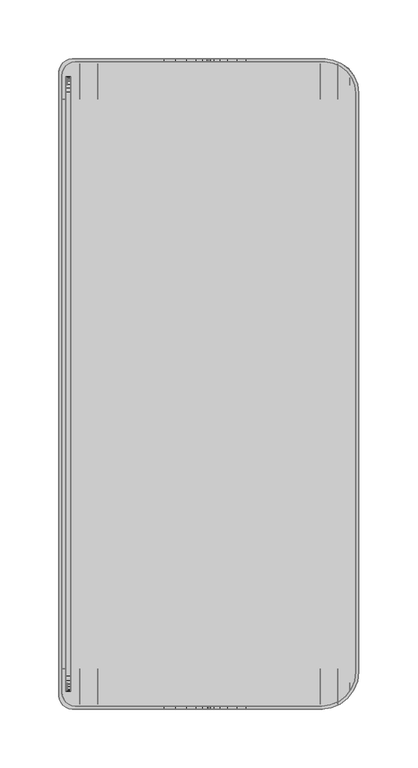
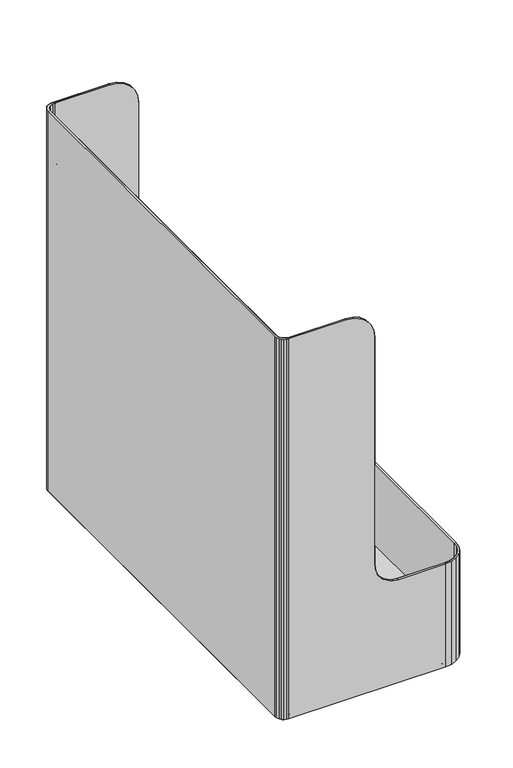
"""IFC4 building model written with IfcOpenShell, lengths in millimetres: furniture geometry."""

from ifc_helpers import new_model, si_unit, origin, place, context, project, spatial, triangles, source, transform, mapped, element, save


def furniture_f0d8c7fc(model_context):
    return source(origin(), model_context, "Body", "Tessellation", [
        triangles([(-123.3908514, 544.1187861, 35.3060004), (-124.5479392, 541.325352, 35.3060004), (-121.5501934, 546.5175859, 35.3060004), (-124.9426008, 538.3276062, 35.3060004), (-113.3602045, 549.9100024, 35.3060004), (-116.3579412, 549.5153317, 35.3060004), (-119.1514026, 548.3582439, 35.3060004), (-124.9426008, 14.1223938, 35.3060004), (124.9426008, 31.7499879, 35.3060004), (124.9426008, 523.2400097, 35.3060004), (-124.5479392, 11.124648, 35.3060004), (-123.3908514, 8.3312139, 35.3060004), (-119.1514026, 4.0917561, 35.3060004), (-121.5501934, 5.9324141, 35.3060004), (-116.3579412, 2.9346683, 35.3060004), (-113.3602045, 2.5399976, 35.3060004), (95.7326104, 2.5399976, 35.3060004), (98.272608, 549.9100024, 35.3060004), (105.1753117, 549.001228, 35.3060004), (124.0338444, 530.1427134, 35.3060004), (117.1311408, 542.0985243, 35.3060004), (111.6076044, 546.336892, 35.3060004), (121.3694904, 536.5749879, 35.3060004), (103.2927049, 3.535322, 35.3060004), (110.3376056, 6.4533852, 35.3060004), (116.3871818, 11.0953983, 35.3060004), (121.029195, 17.1449927, 35.3060004), (123.9472945, 24.1899116, 35.3060004)], [[1, 2, 3], [2, 4, 3], [4, 5, 6], [4, 6, 7], [4, 7, 3], [4, 8, 9], [4, 9, 10], [8, 11, 12], [8, 12, 13], [13, 12, 14], [13, 15, 8], [15, 16, 8], [8, 16, 17], [8, 17, 9], [18, 5, 10], [5, 4, 10], [19, 18, 20], [18, 10, 20], [21, 22, 20], [22, 19, 20], [20, 23, 21], [24, 25, 17], [25, 26, 17], [27, 28, 17], [28, 9, 17], [27, 17, 26]], closed=False),
        triangles([(-113.3602045, 549.9100024, 32.7660005), (-113.3602045, 549.9100024, 4.8259999), (98.272608, 549.9100024, 4.8259999), (98.272608, 549.9100024, 32.7660005), (124.0338444, 530.1427134, 32.7660005), (124.0338444, 530.1427134, 4.8259999), (124.9426008, 523.2400097, 4.8259999), (124.9426008, 523.2400097, 32.7660005), (121.3694904, 536.5749879, 32.7660005), (121.3694904, 536.5749879, 4.8259999), (117.1311408, 542.0985243, 32.7660005), (117.1311408, 542.0985243, 4.8259999), (111.6076044, 546.336892, 32.7660005), (111.6076044, 546.336892, 4.8259999), (105.1753117, 549.001228, 32.7660005), (105.1753117, 549.001228, 4.8259999), (124.9426008, 31.7499879, 4.8259999), (124.9426008, 31.7499879, 32.7660005), (103.2927049, 3.535322, 32.7660005), (103.2927049, 3.535322, 4.8259999), (95.7326104, 2.5399976, 4.8259999), (95.7326104, 2.5399976, 32.7660005), (110.3376056, 6.4533852, 32.7660005), (110.3376056, 6.4533852, 4.8259999), (116.3871818, 11.0953983, 32.7660005), (116.3871818, 11.0953983, 4.8259999), (121.029195, 17.1449927, 32.7660005), (121.029195, 17.1449927, 4.8259999), (123.9472945, 24.1899116, 32.7660005), (123.9472945, 24.1899116, 4.8259999), (-113.3602045, 2.5399976, 4.8259999), (-113.3602045, 2.5399976, 32.7660005), (-124.5479392, 11.124648, 32.7660005), (-124.5479392, 11.124648, 4.8259999), (-124.9426008, 14.1223938, 4.8259999), (-124.9426008, 14.1223938, 32.7660005), (-123.3908514, 8.3312139, 32.7660005), (-123.3908514, 8.3312139, 4.8259999), (-121.5501934, 5.9324141, 32.7660005), (-121.5501934, 5.9324141, 4.8259999), (-119.1514026, 4.0917561, 32.7660005), (-119.1514026, 4.0917561, 4.8259999), (-116.3579412, 2.9346683, 32.7660005), (-116.3579412, 2.9346683, 4.8259999), (-124.9426008, 538.3276062, 4.8259999), (-124.9426008, 538.3276062, 32.7660005), (-116.3579412, 549.5153317, 32.7660005), (-116.3579412, 549.5153317, 4.8259999), (-119.1514026, 548.3582439, 32.7660005), (-119.1514026, 548.3582439, 4.8259999), (-121.5501934, 546.5175859, 32.7660005), (-121.5501934, 546.5175859, 4.8259999), (-123.3908514, 544.1187861, 32.7660005), (-123.3908514, 544.1187861, 4.8259999), (-124.5479392, 541.325352, 32.7660005), (-124.5479392, 541.325352, 4.8259999), (-123.3908514, 8.3312139, 35.3060004), (-124.5479392, 11.124648, 35.3060004), (-124.5479392, 11.124648, 544.5759893), (-123.3908514, 8.3312139, 544.5759893), (-121.5501934, 5.9324141, 35.3060004), (-121.5501934, 5.9324141, 544.5759893), (-124.9426008, 14.1223938, 35.3060004), (-124.9426008, 14.1223938, 544.5759893), (-116.3579412, 2.9346683, 35.3060004), (-119.1514026, 4.0917561, 35.3060004), (-119.1514026, 4.0917561, 544.5759893), (-116.3579412, 2.9346683, 544.5759893), (-113.3602045, 2.5399976, 35.3060004), (-113.3602045, 2.5399976, 544.5759893), (-119.1514026, 548.3582439, 35.3060004), (-116.3579412, 549.5153317, 35.3060004), (-116.3579412, 549.5153317, 544.5759893), (-119.1514026, 548.3582439, 544.5759893), (-121.5501934, 546.5175859, 35.3060004), (-121.5501934, 546.5175859, 544.5759893), (-113.3602045, 549.9100024, 35.3060004), (-113.3602045, 549.9100024, 544.5759893), (-124.5479392, 541.325352, 35.3060004), (-123.3908514, 544.1187861, 35.3060004), (-123.3908514, 544.1187861, 544.5759893), (-124.5479392, 541.325352, 544.5759893), (-124.9426008, 538.3276062, 35.3060004), (-124.9426008, 538.3276062, 544.5759893), (-127.0879367, 8.5846504, 544.5759893), (-127.0879367, 8.5846504, 4.8259999), (-125.9308489, 5.7912163, 4.8259999), (-125.9308489, 5.7912163, 544.5759893), (-124.0901909, 3.3924165, 4.8259999), (-124.0901909, 3.3924165, 544.5759893), (-127.4825983, 11.5823962, 544.5759893), (-127.4825983, 11.5823962, 4.8259999), (-121.6914002, 1.5517585, 544.5759893), (-121.6914002, 1.5517585, 4.8259999), (-118.8979479, 0.3946707, 4.8259999), (-118.8979479, 0.3946707, 544.5759893), (-115.9002021, 0.0, 4.8259999), (-115.9002021, 0.0, 544.5759893), (-118.8979479, 552.0553293, 544.5759893), (-118.8979479, 552.0553293, 4.8259999), (-121.6914002, 550.8982415, 4.8259999), (-121.6914002, 550.8982415, 544.5759893), (-124.0901909, 549.0575835, 4.8259999), (-124.0901909, 549.0575835, 544.5759893), (-115.9002021, 552.45, 544.5759893), (-115.9002021, 552.45, 4.8259999), (-125.9308489, 546.6587837, 544.5759893), (-125.9308489, 546.6587837, 4.8259999), (-127.0879367, 543.8653496, 4.8259999), (-127.0879367, 543.8653496, 544.5759893), (-127.4825983, 540.8676038, 4.8259999), (-127.4825983, 540.8676038, 544.5759893), (117.1311408, 542.0985243, 35.3060004), (121.3694904, 536.5749879, 35.3060004), (121.3694904, 536.5749879, 150.8760015), (117.1311408, 542.0985243, 150.8760015), (124.9426008, 523.2400097, 150.8760015), (124.0338444, 530.1427134, 150.8760015), (124.0338444, 530.1427134, 35.3060004), (124.9426008, 523.2400097, 35.3060004), (105.1753117, 549.001228, 35.3060004), (111.6076044, 546.336892, 35.3060004), (111.6076044, 546.336892, 150.8760015), (105.1753117, 549.001228, 150.8760015), (98.272608, 549.9100024, 35.3060004), (98.272608, 549.9100024, 150.8760015), (110.3376056, 6.4533852, 35.3060004), (103.2927049, 3.535322, 35.3060004), (103.2927049, 3.535322, 150.8760015), (110.3376056, 6.4533852, 150.8760015), (116.3871818, 11.0953983, 35.3060004), (116.3871818, 11.0953983, 150.8760015), (95.7326104, 2.5399976, 35.3060004), (95.7326104, 2.5399976, 150.8760015), (123.9472945, 24.1899116, 35.3060004), (121.029195, 17.1449927, 35.3060004), (121.029195, 17.1449927, 150.8760015), (123.9472945, 24.1899116, 150.8760015), (124.9426008, 31.7499879, 35.3060004), (124.9426008, 31.7499879, 150.8760015), (126.4872921, 530.8001224, 150.8760015), (126.4872921, 530.8001224, 4.8259999), (123.5692107, 537.8450048, 4.8259999), (123.5692107, 537.8450048, 150.8760015), (118.9271976, 543.8945992, 4.8259999), (118.9271976, 543.8945992, 150.8760015), (127.4825983, 523.2400097, 150.8760015), (127.4825983, 523.2400097, 4.8259999), (112.8776032, 548.5366124, 150.8760015), (112.8776032, 548.5366124, 4.8259999), (105.8327025, 551.4546756, 4.8259999), (105.8327025, 551.4546756, 150.8760015), (98.272608, 552.45, 4.8259999), (98.272608, 552.45, 150.8760015), (103.9501139, 1.081838, 150.8760015), (103.9501139, 1.081838, 4.8259999), (111.6076044, 4.2537011, 4.8259999), (111.6076044, 4.2537011, 150.8760015), (118.1832386, 9.2993597, 4.8259999), (118.1832386, 9.2993597, 150.8760015), (95.7326104, 0.0, 150.8760015), (95.7326104, 0.0, 4.8259999), (123.2289154, 15.8750121, 150.8760015), (123.2289154, 15.8750121, 4.8259999), (126.4007421, 23.5325026, 4.8259999), (126.4007421, 23.5325026, 150.8760015), (127.4825983, 31.7499879, 4.8259999), (127.4825983, 31.7499879, 150.8760015), (-1.7e-06, 552.45, 506.4759893), (-1.7e-06, 549.9100024, 506.4759893), (-1.7e-06, 549.9100024, 182.6260075), (-1.7e-06, 552.45, 182.6260075), (-1.7e-06, 2.5399976, 506.4759893), (-1.7e-06, 0.0, 506.4759893), (-1.7e-06, 0.0, 182.6260075), (-1.7e-06, 2.5399976, 182.6260075), (-28.2389944, 549.9100024, 543.2777764), (-19.0500023, 549.9100024, 539.4715771), (-19.0500023, 552.45, 539.4715771), (-28.2389944, 552.45, 543.2777764), (-38.1, 549.9100024, 544.5759893), (-38.1, 552.45, 544.5759893), (-11.159231, 552.45, 533.4167504), (-11.159231, 549.9100024, 533.4167504), (-1.2982237, 549.9100024, 516.3370153), (-1.2982237, 552.45, 516.3370153), (-5.1044321, 549.9100024, 525.5259893), (-5.1044321, 552.45, 525.5259893), (-28.2389944, 2.5399976, 543.2777764), (-28.2389944, 0.0, 543.2777764), (-19.0500023, 0.0, 539.4715771), (-19.0500023, 2.5399976, 539.4715771), (-38.1, 2.5399976, 544.5759893), (-38.1, 0.0, 544.5759893), (-11.159231, 0.0, 533.4167504), (-11.159231, 2.5399976, 533.4167504), (-5.1044321, 2.5399976, 525.5259893), (-5.1044321, 0.0, 525.5259893), (-1.2982237, 0.0, 516.3370153), (-1.2982237, 2.5399976, 516.3370153), (31.7499947, 2.5399976, 150.8760015), (31.7499947, 0.0, 150.8760015), (31.7499947, 552.45, 150.8760015), (31.7499947, 549.9100024, 150.8760015), (1.0818545, 552.45, 174.408504), (1.0818545, 549.9100024, 174.408504), (4.2536903, 552.45, 166.7509954), (4.2536903, 549.9100024, 166.7509954), (9.299358, 549.9100024, 160.1753612), (9.299358, 552.45, 160.1753612), (23.5324912, 552.45, 151.9578577), (15.8750019, 552.45, 155.1296844), (23.5324912, 549.9100024, 151.9578577), (15.8750019, 549.9100024, 155.1296844), (1.0818545, 0.0, 174.408504), (1.0818545, 2.5399976, 174.408504), (4.2536903, 0.0, 166.7509954), (4.2536903, 2.5399976, 166.7509954), (9.299358, 0.0, 160.1753612), (9.299358, 2.5399976, 160.1753612), (23.5324912, 0.0, 151.9578577), (23.5324912, 2.5399976, 151.9578577), (15.8750019, 2.5399976, 155.1296844), (15.8750019, 0.0, 155.1296844), (-121.4118933, 34.2899855, 457.5990309), (-121.4118933, 518.1600145, 457.5990309), (-121.4118933, 518.1600145, 465.6689961), (-121.4118933, 34.2899855, 465.6689961), (-124.9426008, 34.2899855, 457.5990309), (-124.9426008, 518.1600145, 457.5990309), (-124.9426008, 34.2899855, 465.6689961), (-124.9426008, 518.1600145, 465.6689961), (-121.4118933, 524.5099903, 449.3259893), (-121.4118933, 527.796999, 449.7587391), (-117.3649928, 527.796999, 449.7587391), (-117.3649928, 524.5099903, 449.3259893), (-121.4118933, 530.8600024, 451.0274843), (-117.3649928, 530.8600024, 451.0274843), (-121.4118933, 533.4902561, 453.0457478), (-121.4118933, 535.5085196, 455.6760015), (-117.3649928, 535.5085196, 455.6760015), (-117.3649928, 533.4902561, 453.0457478), (-121.4118933, 536.7772648, 458.7390049), (-117.3649928, 536.7772648, 458.7390049), (-117.3649928, 537.2100145, 462.0260136), (-121.4118933, 537.2100145, 462.0260136), (-121.4118933, 536.7772648, 465.3129859), (-117.3649928, 536.7772648, 465.3129859), (-121.4118933, 535.5085196, 468.3759893), (-117.3649928, 535.5085196, 468.3759893), (-121.4118933, 533.4902561, 471.006243), (-121.4118933, 530.8600024, 473.0245065), (-117.3649928, 530.8600024, 473.0245065), (-117.3649928, 533.4902561, 471.006243), (-121.4118933, 527.796999, 474.2932517), (-117.3649928, 527.796999, 474.2932517), (-117.3649928, 524.5099903, 474.7260015), (-121.4118933, 524.5099903, 474.7260015), (-117.3649928, 27.9400097, 449.3259893), (-121.4118933, 27.9400097, 449.3259893), (-121.4118933, 27.9400097, 474.7260015), (-121.4118933, 24.653001, 474.2932517), (-117.3649928, 24.653001, 474.2932517), (-117.3649928, 27.9400097, 474.7260015), (-121.4118933, 21.5899976, 473.0245065), (-117.3649928, 21.5899976, 473.0245065), (-121.4118933, 18.9597439, 471.006243), (-121.4118933, 16.9414804, 468.3759893), (-117.3649928, 16.9414804, 468.3759893), (-117.3649928, 18.9597439, 471.006243), (-121.4118933, 15.2399855, 462.0260136), (-121.4118933, 15.6727352, 458.7390049), (-117.3649928, 15.6727352, 458.7390049), (-117.3649928, 15.2399855, 462.0260136), (-121.4118933, 16.9414804, 455.6760015), (-117.3649928, 16.9414804, 455.6760015), (-121.4118933, 18.9597439, 453.0457478), (-121.4118933, 21.5899976, 451.0274843), (-117.3649928, 21.5899976, 451.0274843), (-117.3649928, 18.9597439, 453.0457478), (-121.4118933, 24.653001, 449.7587391), (-117.3649928, 24.653001, 449.7587391), (-121.4118933, 15.6727352, 465.3129859), (119.7445169, 19.9888598, 18.0528145), (119.7445169, 20.7546198, 17.7356305), (-120.5320051, 20.7546198, 17.7356305), (-120.5320051, 19.9888598, 18.0528145), (119.7445169, 19.1671077, 18.1609997), (-120.5320051, 19.1671077, 18.1609997), (119.7445169, 21.9167582, 16.5735001), (119.7445169, 22.2339263, 15.8077504), (-120.5320051, 22.2339263, 15.8077504), (-120.5320051, 21.9167582, 16.5735001), (-120.5320051, 21.4121741, 17.2310635), (119.7445169, 21.4121741, 17.2310635), (-120.5320051, 22.3421319, 14.9860005), (119.7445169, 22.3421319, 14.9860005), (119.7445169, 21.9167582, 13.3984997), (119.7445169, 21.4121741, 12.7409363), (-120.5320051, 21.4121741, 12.7409363), (-120.5320051, 21.9167582, 13.3984997), (119.7445169, 22.2339263, 14.1642494), (-120.5320051, 22.2339263, 14.1642494), (119.7445169, 20.7546198, 12.2363693), (119.7445169, 19.9888598, 11.9191853), (-120.5320051, 19.9888598, 11.9191853), (-120.5320051, 20.7546198, 12.2363693), (119.7445169, 19.1671077, 11.8110001), (-120.5320051, 19.1671077, 11.8110001), (119.7445169, 18.3453555, 11.9191853), (119.7445169, 17.5796319, 12.2363693), (-120.5320051, 17.5796319, 12.2363693), (-120.5320051, 18.3453555, 11.9191853), (119.7445169, 16.9220412, 12.7409363), (119.7445169, 16.4174935, 13.3984997), (-120.5320051, 16.4174935, 13.3984997), (-120.5320051, 16.9220412, 12.7409363), (119.7445169, 16.1002891, 14.1642494), (-120.5320051, 16.1002891, 14.1642494), (-120.5320051, 15.9921198, 14.9860005), (119.7445169, 15.9921198, 14.9860005), (119.7445169, 16.1002891, 15.8077504), (119.7445169, 16.4174935, 16.5735001), (-120.5320051, 16.4174935, 16.5735001), (-120.5320051, 16.1002891, 15.8077504), (119.7445169, 16.9220412, 17.2310635), (-120.5320051, 16.9220412, 17.2310635), (119.7445169, 17.5796319, 17.7356305), (119.7445169, 18.3453555, 18.0528145), (-120.5320051, 18.3453555, 18.0528145), (-120.5320051, 17.5796319, 17.7356305), (119.7445169, 534.1046445, 18.0528145), (119.7445169, 534.8703681, 17.7356305), (-120.5320051, 534.8703681, 17.7356305), (-120.5320051, 534.1046445, 18.0528145), (119.7445169, 533.2828923, 18.1609997), (-120.5320051, 533.2828923, 18.1609997), (119.7445169, 536.0325065, 16.5735001), (119.7445169, 536.3497109, 15.8077504), (-120.5320051, 536.3497109, 15.8077504), (-120.5320051, 536.0325065, 16.5735001), (-120.5320051, 535.5279588, 17.2310635), (119.7445169, 535.5279588, 17.2310635), (-120.5320051, 536.4578802, 14.9860005), (119.7445169, 536.4578802, 14.9860005), (119.7445169, 536.0325065, 13.3984997), (119.7445169, 535.5279588, 12.7409363), (-120.5320051, 535.5279588, 12.7409363), (-120.5320051, 536.0325065, 13.3984997), (119.7445169, 536.3497109, 14.1642494), (-120.5320051, 536.3497109, 14.1642494), (119.7445169, 534.8703681, 12.2363693), (119.7445169, 534.1046445, 11.9191853), (-120.5320051, 534.1046445, 11.9191853), (-120.5320051, 534.8703681, 12.2363693), (119.7445169, 533.2828923, 11.8110001), (-120.5320051, 533.2828923, 11.8110001), (119.7445169, 532.4611402, 11.9191853), (119.7445169, 531.6953802, 12.2363693), (-120.5320051, 531.6953802, 12.2363693), (-120.5320051, 532.4611402, 11.9191853), (119.7445169, 531.0378259, 12.7409363), (119.7445169, 530.5332418, 13.3984997), (-120.5320051, 530.5332418, 13.3984997), (-120.5320051, 531.0378259, 12.7409363), (119.7445169, 530.2160737, 14.1642494), (-120.5320051, 530.2160737, 14.1642494), (-120.5320051, 530.1078681, 14.9860005), (119.7445169, 530.1078681, 14.9860005), (119.7445169, 530.2160737, 15.8077504), (119.7445169, 530.5332418, 16.5735001), (-120.5320051, 530.5332418, 16.5735001), (-120.5320051, 530.2160737, 15.8077504), (119.7445169, 531.0378259, 17.2310635), (-120.5320051, 531.0378259, 17.2310635), (119.7445169, 531.6953802, 17.7356305), (119.7445169, 532.4611402, 18.0528145), (-120.5320051, 532.4611402, 18.0528145), (-120.5320051, 531.6953802, 17.7356305), (94.4625935, 548.2688962, 14.9860005), (94.4625935, 547.7582442, 18.864662), (109.7025971, 548.2688962, 14.9860005), (109.7025971, 547.7582442, 18.864662), (94.4625935, 546.2611336, 22.478999), (109.7025971, 546.2611336, 22.478999), (94.4625935, 543.8795929, 25.5827022), (94.4625935, 540.7758943, 27.9642565), (109.7025971, 543.8795929, 25.5827022), (109.7025971, 540.7758943, 27.9642565), (94.4625935, 537.1615437, 29.4613649), (109.7025971, 537.1615437, 29.4613649), (109.7025971, 533.2828923, 29.9720009), (94.4625935, 533.2828923, 29.9720009), (94.4625935, 529.4042047, 29.4613649), (94.4625935, 525.7898904, 27.9642565), (109.7025971, 529.4042047, 29.4613649), (109.7025971, 525.7898904, 27.9642565), (94.4625935, 522.6861917, 25.5827022), (109.7025971, 522.6861917, 25.5827022), (109.7025971, 520.3046147, 22.478999), (94.4625935, 520.3046147, 22.478999), (94.4625935, 518.8075041, 18.864662), (109.7025971, 518.8075041, 18.864662), (94.4625935, 518.2968884, 14.9860005), (109.7025971, 518.2968884, 14.9860005), (94.4625935, 518.8075041, 11.1073378), (94.4625935, 520.3046147, 7.4930002), (109.7025971, 520.3046147, 7.4930002), (109.7025971, 518.8075041, 11.1073378), (94.4625935, 525.7898904, 2.0077433), (94.4625935, 529.4042047, 0.5106356), (109.7025971, 529.4042047, 0.5106356), (109.7025971, 525.7898904, 2.0077433), (94.4625935, 522.6861917, 4.3892979), (109.7025971, 522.6861917, 4.3892979), (109.7025971, 533.2828923, 0.0), (94.4625935, 533.2828923, 0.0), (94.4625935, 537.1615437, 0.5106356), (94.4625935, 540.7758943, 2.0077433), (109.7025971, 540.7758943, 2.0077433), (109.7025971, 537.1615437, 0.5106356), (94.4625935, 543.8795929, 4.3892979), (109.7025971, 543.8795929, 4.3892979), (94.4625935, 546.2611336, 7.4930002), (94.4625935, 547.7582442, 11.1073378), (109.7025971, 547.7582442, 11.1073378), (109.7025971, 546.2611336, 7.4930002), (94.4625935, 34.1531116, 14.9860005), (94.4625935, 33.6424959, 18.864662), (109.7025971, 33.6424959, 18.864662), (109.7025971, 34.1531116, 14.9860005), (94.4625935, 32.1453853, 22.478999), (109.7025971, 32.1453853, 22.478999), (94.4625935, 29.7638083, 25.5827022), (94.4625935, 26.6601096, 27.9642565), (109.7025971, 26.6601096, 27.9642565), (109.7025971, 29.7638083, 25.5827022), (94.4625935, 23.0457953, 29.4613649), (109.7025971, 23.0457953, 29.4613649), (109.7025971, 19.1671077, 29.9720009), (94.4625935, 19.1671077, 29.9720009), (94.4625935, 15.2884563, 29.4613649), (109.7025971, 15.2884563, 29.4613649), (94.4625935, 11.6741057, 27.9642565), (109.7025971, 11.6741057, 27.9642565), (109.7025971, 6.1888664, 22.478999), (94.4625935, 6.1888664, 22.478999), (94.4625935, 4.6917558, 18.864662), (109.7025971, 4.6917558, 18.864662), (94.4625935, 4.1811038, 14.9860005), (109.7025971, 4.1811038, 14.9860005), (109.7025971, 8.5704071, 25.5827022), (94.4625935, 8.5704071, 25.5827022), (94.4625935, 4.6917558, 11.1073378), (109.7025971, 4.6917558, 11.1073378), (94.4625935, 6.1888664, 7.4930002), (109.7025971, 6.1888664, 7.4930002), (94.4625935, 8.5704071, 4.3892979), (94.4625935, 11.6741057, 2.0077433), (109.7025971, 11.6741057, 2.0077433), (109.7025971, 8.5704071, 4.3892979), (94.4625935, 15.2884563, 0.5106356), (109.7025971, 15.2884563, 0.5106356), (109.7025971, 19.1671077, 0.0), (94.4625935, 19.1671077, 0.0), (94.4625935, 23.0457953, 0.5106356), (109.7025971, 23.0457953, 0.5106356), (94.4625935, 26.6601096, 2.0077433), (109.7025971, 26.6601096, 2.0077433), (94.4625935, 29.7638083, 4.3892979), (94.4625935, 32.1453853, 7.4930002), (109.7025971, 32.1453853, 7.4930002), (109.7025971, 29.7638083, 4.3892979), (94.4625935, 33.6424959, 11.1073378), (109.7025971, 33.6424959, 11.1073378), (-94.4626026, 518.8075041, 18.864662), (-94.4626026, 520.3046147, 22.478999), (-109.7025971, 520.3046147, 22.478999), (-109.7025971, 518.8075041, 18.864662), (-94.4626026, 518.2968884, 14.9860005), (-109.7025971, 518.2968884, 14.9860005), (-94.4626026, 525.7898904, 27.9642565), (-94.4626026, 529.4042047, 29.4613649), (-109.7025971, 529.4042047, 29.4613649), (-109.7025971, 525.7898904, 27.9642565), (-94.4626026, 522.6861917, 25.5827022), (-109.7025971, 522.6861917, 25.5827022), (-109.7025971, 533.2828923, 29.9720009), (-94.4626026, 533.2828923, 29.9720009), (-94.4626026, 537.1615437, 29.4613649), (-94.4626026, 540.7758943, 27.9642565), (-109.7025971, 540.7758943, 27.9642565), (-109.7025971, 537.1615437, 29.4613649), (-94.4626026, 543.8795929, 25.5827022), (-109.7025971, 543.8795929, 25.5827022), (-94.4626026, 546.2611336, 22.478999), (-94.4626026, 547.7582442, 18.864662), (-109.7025971, 547.7582442, 18.864662), (-109.7025971, 546.2611336, 22.478999), (-94.4626026, 548.2688962, 14.9860005), (-109.7025971, 548.2688962, 14.9860005), (-94.4626026, 547.7582442, 11.1073378), (-109.7025971, 547.7582442, 11.1073378), (-94.4626026, 546.2611336, 7.4930002), (-109.7025971, 546.2611336, 7.4930002), (-94.4626026, 543.8795929, 4.3892979), (-94.4626026, 540.7758943, 2.0077433), (-109.7025971, 543.8795929, 4.3892979), (-109.7025971, 540.7758943, 2.0077433), (-94.4626026, 537.1615437, 0.5106356), (-109.7025971, 537.1615437, 0.5106356), (-109.7025971, 533.2828923, 0.0), (-94.4626026, 533.2828923, 0.0), (-94.4626026, 529.4042047, 0.5106356), (-94.4626026, 525.7898904, 2.0077433), (-109.7025971, 529.4042047, 0.5106356), (-109.7025971, 525.7898904, 2.0077433), (-94.4626026, 522.6861917, 4.3892979), (-109.7025971, 522.6861917, 4.3892979), (-109.7025971, 520.3046147, 7.4930002), (-94.4626026, 520.3046147, 7.4930002), (-94.4626026, 518.8075041, 11.1073378), (-109.7025971, 518.8075041, 11.1073378), (-94.4626026, 4.1811038, 14.9860005), (-94.4626026, 4.6917558, 18.864662), (-109.7025971, 4.6917558, 18.864662), (-109.7025971, 4.1811038, 14.9860005), (-94.4626026, 6.1888664, 22.478999), (-109.7025971, 6.1888664, 22.478999), (-94.4626026, 8.5704071, 25.5827022), (-94.4626026, 11.6741057, 27.9642565), (-109.7025971, 11.6741057, 27.9642565), (-109.7025971, 8.5704071, 25.5827022), (-94.4626026, 15.2884563, 29.4613649), (-109.7025971, 15.2884563, 29.4613649), (-109.7025971, 19.1671077, 29.9720009), (-94.4626026, 19.1671077, 29.9720009), (-94.4626026, 23.0457953, 29.4613649), (-109.7025971, 23.0457953, 29.4613649), (-94.4626026, 26.6601096, 27.9642565), (-109.7025971, 26.6601096, 27.9642565), (-94.4626026, 29.7638083, 25.5827022), (-94.4626026, 32.1453853, 22.478999), (-109.7025971, 32.1453853, 22.478999), (-109.7025971, 29.7638083, 25.5827022), (-94.4626026, 33.6424959, 18.864662), (-109.7025971, 33.6424959, 18.864662), (-109.7025971, 34.1531116, 14.9860005), (-94.4626026, 34.1531116, 14.9860005), (-94.4626026, 33.6424959, 11.1073378), (-109.7025971, 33.6424959, 11.1073378), (-94.4626026, 32.1453853, 7.4930002), (-109.7025971, 32.1453853, 7.4930002), (-94.4626026, 29.7638083, 4.3892979), (-94.4626026, 26.6601096, 2.0077433), (-109.7025971, 29.7638083, 4.3892979), (-109.7025971, 26.6601096, 2.0077433), (-94.4626026, 23.0457953, 0.5106356), (-109.7025971, 23.0457953, 0.5106356), (-109.7025971, 19.1671077, 0.0), (-94.4626026, 19.1671077, 0.0), (-94.4626026, 15.2884563, 0.5106356), (-109.7025971, 15.2884563, 0.5106356), (-94.4626026, 11.6741057, 2.0077433), (-109.7025971, 11.6741057, 2.0077433), (-109.7025971, 6.1888664, 7.4930002), (-94.4626026, 6.1888664, 7.4930002), (-109.7025971, 4.6917558, 11.1073378), (-94.4626026, 4.6917558, 11.1073378), (-109.7025971, 8.5704071, 4.3892979), (-94.4626026, 8.5704071, 4.3892979)], [[1, 2, 3], [1, 3, 4], [5, 6, 7], [5, 7, 8], [9, 10, 6], [9, 6, 5], [10, 9, 11], [10, 11, 12], [13, 14, 12], [13, 12, 11], [15, 16, 14], [15, 14, 13], [16, 15, 4], [16, 4, 3], [17, 18, 8], [17, 8, 7], [19, 20, 21], [19, 21, 22], [23, 24, 20], [23, 20, 19], [24, 23, 25], [24, 25, 26], [27, 28, 26], [27, 26, 25], [29, 30, 28], [29, 28, 27], [30, 29, 18], [30, 18, 17], [31, 32, 22], [31, 22, 21], [33, 34, 35], [33, 35, 36], [37, 38, 34], [37, 34, 33], [38, 37, 39], [38, 39, 40], [41, 42, 40], [41, 40, 39], [43, 44, 42], [43, 42, 41], [44, 43, 32], [44, 32, 31], [36, 35, 45], [36, 45, 46], [47, 48, 2], [47, 2, 1], [49, 50, 48], [49, 48, 47], [50, 49, 51], [50, 51, 52], [53, 54, 52], [53, 52, 51], [55, 56, 54], [55, 54, 53], [56, 55, 46], [56, 46, 45], [18, 19, 22], [18, 22, 36], [25, 23, 18], [23, 19, 18], [18, 29, 27], [18, 27, 25], [32, 43, 41], [32, 41, 36], [37, 41, 39], [37, 33, 41], [33, 36, 41], [36, 22, 32], [18, 36, 46], [18, 46, 8], [9, 5, 4], [5, 8, 4], [15, 13, 11], [15, 11, 9], [15, 9, 4], [4, 8, 1], [8, 46, 1], [46, 55, 53], [46, 53, 1], [49, 47, 51], [47, 53, 51], [47, 1, 53], [57, 58, 59], [57, 59, 60], [61, 57, 60], [61, 60, 62], [58, 63, 64], [58, 64, 59], [65, 66, 67], [65, 67, 68], [69, 65, 68], [69, 68, 70], [62, 67, 66], [62, 66, 61], [71, 72, 73], [71, 73, 74], [75, 71, 74], [75, 74, 76], [72, 77, 78], [72, 78, 73], [79, 80, 81], [79, 81, 82], [83, 79, 82], [83, 82, 84], [76, 81, 80], [76, 80, 75], [85, 86, 87], [85, 87, 88], [88, 87, 89], [88, 89, 90], [91, 92, 86], [91, 86, 85], [93, 94, 95], [93, 95, 96], [96, 95, 97], [96, 97, 98], [94, 93, 90], [94, 90, 89], [99, 100, 101], [99, 101, 102], [102, 101, 103], [102, 103, 104], [105, 106, 100], [105, 100, 99], [107, 108, 109], [107, 109, 110], [110, 109, 111], [110, 111, 112], [108, 107, 104], [108, 104, 103], [113, 114, 115], [113, 115, 116], [117, 118, 119], [117, 119, 120], [114, 119, 118], [114, 118, 115], [121, 122, 123], [121, 123, 124], [125, 121, 124], [125, 124, 126], [116, 123, 122], [116, 122, 113], [127, 128, 129], [127, 129, 130], [131, 127, 130], [131, 130, 132], [128, 133, 134], [128, 134, 129], [135, 136, 137], [135, 137, 138], [139, 135, 138], [139, 138, 140], [132, 137, 136], [132, 136, 131], [141, 142, 143], [141, 143, 144], [144, 143, 145], [144, 145, 146], [147, 148, 142], [147, 142, 141], [149, 150, 151], [149, 151, 152], [152, 151, 153], [152, 153, 154], [150, 149, 146], [150, 146, 145], [155, 156, 157], [155, 157, 158], [158, 157, 159], [158, 159, 160], [161, 162, 156], [161, 156, 155], [163, 164, 165], [163, 165, 166], [166, 165, 167], [166, 167, 168], [164, 163, 160], [164, 160, 159], [169, 170, 171], [169, 171, 172], [173, 174, 175], [173, 175, 176], [177, 178, 179], [177, 179, 180], [181, 177, 180], [181, 180, 182], [183, 179, 184], [179, 178, 184], [185, 170, 169], [185, 169, 186], [187, 185, 186], [187, 186, 188], [188, 183, 187], [183, 184, 187], [189, 190, 191], [189, 191, 192], [193, 194, 190], [193, 190, 189], [195, 196, 192], [195, 192, 191], [197, 198, 199], [197, 199, 200], [200, 199, 174], [200, 174, 173], [198, 197, 196], [198, 196, 195], [161, 201, 202], [161, 155, 134], [161, 134, 201], [129, 155, 158], [129, 158, 130], [130, 158, 160], [130, 160, 132], [134, 155, 129], [132, 160, 163], [132, 163, 137], [137, 163, 166], [137, 166, 138], [168, 140, 138], [168, 138, 166], [140, 168, 147], [140, 147, 117], [149, 152, 123], [152, 124, 123], [146, 149, 116], [149, 123, 116], [126, 124, 152], [126, 152, 154], [154, 203, 204], [154, 204, 126], [118, 117, 147], [118, 147, 141], [115, 118, 141], [115, 141, 144], [144, 146, 115], [146, 116, 115], [205, 172, 206], [172, 171, 206], [207, 205, 208], [205, 206, 208], [208, 209, 210], [208, 210, 207], [211, 212, 213], [212, 214, 213], [203, 211, 213], [203, 213, 204], [209, 214, 212], [209, 212, 210], [215, 216, 176], [215, 176, 175], [217, 218, 216], [217, 216, 215], [218, 217, 219], [218, 219, 220], [221, 222, 223], [221, 223, 224], [202, 201, 222], [202, 222, 221], [220, 219, 224], [220, 224, 223], [140, 117, 120], [140, 120, 139], [192, 196, 189], [196, 193, 189], [173, 70, 193], [173, 193, 200], [193, 196, 197], [193, 197, 200], [70, 173, 176], [70, 176, 69], [69, 216, 218], [223, 69, 220], [218, 220, 69], [69, 176, 216], [222, 69, 223], [134, 133, 201], [222, 201, 69], [201, 133, 69], [83, 84, 64], [83, 64, 63], [185, 187, 170], [187, 181, 170], [78, 171, 181], [171, 170, 181], [181, 187, 184], [181, 184, 178], [177, 181, 178], [171, 78, 77], [171, 77, 206], [125, 204, 213], [125, 213, 77], [204, 125, 126], [77, 208, 206], [77, 214, 209], [213, 214, 77], [208, 77, 209], [148, 147, 168], [148, 168, 167], [194, 195, 191], [194, 191, 190], [194, 98, 199], [98, 174, 199], [198, 195, 199], [195, 194, 199], [175, 174, 98], [175, 98, 97], [217, 215, 97], [219, 97, 224], [97, 219, 217], [215, 175, 97], [221, 224, 162], [224, 97, 162], [202, 162, 161], [162, 202, 221], [92, 91, 112], [92, 112, 111], [182, 188, 186], [182, 186, 169], [169, 172, 182], [172, 105, 182], [183, 188, 179], [188, 182, 179], [179, 182, 180], [106, 105, 172], [106, 172, 205], [211, 203, 106], [203, 153, 106], [154, 153, 203], [205, 207, 106], [210, 212, 106], [106, 212, 211], [210, 106, 207], [52, 54, 108], [52, 108, 103], [109, 108, 54], [109, 54, 56], [111, 109, 56], [111, 56, 45], [111, 45, 35], [101, 100, 50], [101, 50, 52], [48, 100, 106], [48, 106, 2], [50, 100, 48], [2, 106, 153], [2, 153, 3], [101, 52, 103], [35, 34, 92], [35, 92, 111], [86, 92, 34], [86, 34, 38], [87, 86, 38], [87, 38, 40], [89, 87, 94], [87, 40, 94], [95, 42, 44], [95, 44, 97], [94, 40, 42], [94, 42, 95], [162, 97, 31], [162, 31, 21], [31, 97, 44], [16, 3, 153], [16, 153, 151], [150, 14, 151], [14, 16, 151], [145, 12, 150], [12, 14, 150], [10, 12, 143], [10, 143, 142], [148, 7, 142], [7, 6, 142], [6, 10, 142], [17, 7, 148], [17, 148, 167], [12, 145, 143], [159, 157, 24], [159, 24, 26], [20, 24, 157], [20, 157, 156], [162, 21, 20], [162, 20, 156], [30, 17, 167], [30, 167, 165], [164, 159, 26], [164, 26, 28], [165, 164, 28], [165, 28, 30], [182, 105, 78], [182, 78, 181], [105, 73, 78], [99, 74, 73], [99, 73, 105], [102, 76, 74], [102, 74, 99], [194, 193, 70], [194, 70, 98], [98, 70, 68], [98, 68, 96], [67, 93, 68], [93, 96, 68], [93, 67, 62], [93, 62, 90], [76, 104, 107], [76, 107, 81], [82, 81, 110], [82, 110, 112], [84, 112, 91], [84, 91, 64], [84, 82, 112], [110, 81, 107], [88, 90, 62], [88, 62, 60], [85, 60, 59], [85, 59, 91], [88, 60, 85], [59, 64, 91], [76, 102, 104], [225, 226, 227], [225, 227, 228], [225, 229, 230], [225, 230, 226], [230, 229, 231], [230, 231, 232], [228, 227, 232], [228, 232, 231], [230, 232, 227], [230, 227, 226], [228, 231, 225], [231, 229, 225], [233, 234, 235], [233, 235, 236], [234, 237, 238], [234, 238, 235], [239, 240, 241], [239, 241, 242], [237, 239, 242], [237, 242, 238], [240, 243, 244], [240, 244, 241], [245, 244, 246], [244, 243, 246], [246, 247, 248], [246, 248, 245], [247, 249, 250], [247, 250, 248], [251, 252, 253], [251, 253, 254], [249, 251, 250], [251, 254, 250], [252, 255, 256], [252, 256, 253], [257, 256, 255], [257, 255, 258], [233, 236, 259], [233, 259, 260], [261, 262, 263], [261, 263, 264], [262, 265, 266], [262, 266, 263], [267, 268, 269], [267, 269, 270], [265, 267, 270], [265, 270, 266], [271, 272, 273], [271, 273, 274], [272, 275, 276], [272, 276, 273], [277, 278, 279], [277, 279, 280], [275, 277, 280], [275, 280, 276], [278, 281, 282], [278, 282, 279], [259, 282, 281], [259, 281, 260], [257, 258, 261], [257, 261, 264], [271, 283, 268], [271, 268, 275], [261, 268, 267], [261, 267, 262], [262, 267, 265], [268, 261, 281], [268, 281, 275], [271, 275, 272], [281, 278, 277], [281, 277, 275], [260, 281, 261], [260, 261, 258], [258, 255, 252], [258, 252, 249], [258, 249, 247], [258, 247, 243], [249, 252, 251], [240, 237, 234], [240, 234, 233], [240, 233, 258], [240, 258, 243], [239, 237, 240], [247, 246, 243], [258, 233, 260], [257, 248, 250], [257, 250, 254], [253, 256, 254], [256, 257, 254], [244, 248, 241], [248, 257, 241], [244, 245, 248], [238, 242, 241], [238, 241, 235], [235, 241, 257], [235, 257, 236], [236, 257, 264], [236, 264, 259], [259, 264, 263], [259, 263, 266], [270, 269, 266], [269, 259, 266], [279, 282, 259], [279, 259, 280], [259, 273, 276], [259, 276, 280], [274, 273, 269], [273, 259, 269], [284, 285, 286], [284, 286, 287], [288, 284, 287], [288, 287, 289], [290, 291, 292], [290, 292, 293], [294, 295, 290], [294, 290, 293], [286, 285, 295], [286, 295, 294], [296, 292, 291], [296, 291, 297], [298, 299, 300], [298, 300, 301], [302, 298, 301], [302, 301, 303], [304, 305, 306], [304, 306, 307], [305, 308, 309], [305, 309, 306], [299, 304, 307], [299, 307, 300], [297, 302, 303], [297, 303, 296], [310, 311, 312], [310, 312, 313], [308, 310, 313], [308, 313, 309], [314, 315, 316], [314, 316, 317], [315, 318, 319], [315, 319, 316], [311, 314, 317], [311, 317, 312], [320, 319, 318], [320, 318, 321], [322, 323, 324], [322, 324, 325], [323, 326, 327], [323, 327, 324], [328, 329, 330], [328, 330, 331], [326, 328, 331], [326, 331, 327], [329, 288, 289], [329, 289, 330], [321, 322, 325], [321, 325, 320], [332, 333, 334], [332, 334, 335], [336, 332, 335], [336, 335, 337], [338, 339, 340], [338, 340, 341], [342, 343, 338], [342, 338, 341], [334, 333, 343], [334, 343, 342], [344, 340, 339], [344, 339, 345], [346, 347, 348], [346, 348, 349], [350, 346, 349], [350, 349, 351], [352, 353, 354], [352, 354, 355], [353, 356, 357], [353, 357, 354], [347, 352, 355], [347, 355, 348], [345, 350, 351], [345, 351, 344], [358, 359, 360], [358, 360, 361], [356, 358, 361], [356, 361, 357], [362, 363, 364], [362, 364, 365], [363, 366, 367], [363, 367, 364], [359, 362, 365], [359, 365, 360], [368, 367, 366], [368, 366, 369], [370, 371, 372], [370, 372, 373], [371, 374, 375], [371, 375, 372], [376, 377, 378], [376, 378, 379], [374, 376, 379], [374, 379, 375], [377, 336, 337], [377, 337, 378], [369, 370, 373], [369, 373, 368], [345, 339, 338], [345, 338, 343], [343, 370, 345], [370, 352, 345], [343, 333, 370], [333, 377, 370], [346, 350, 347], [350, 345, 347], [356, 353, 352], [356, 352, 358], [347, 345, 352], [333, 332, 336], [333, 336, 377], [370, 377, 376], [370, 376, 371], [371, 376, 374], [358, 352, 370], [358, 370, 362], [358, 362, 359], [366, 363, 362], [366, 362, 370], [369, 366, 370], [297, 291, 299], [291, 290, 299], [285, 284, 295], [284, 290, 295], [315, 299, 290], [315, 290, 326], [299, 298, 302], [299, 302, 297], [308, 305, 299], [305, 304, 299], [310, 308, 299], [310, 299, 315], [290, 284, 288], [290, 288, 326], [326, 288, 329], [326, 329, 328], [326, 323, 322], [326, 322, 321], [315, 314, 311], [315, 311, 310], [321, 318, 315], [321, 315, 326], [341, 340, 342], [340, 344, 342], [355, 373, 342], [355, 342, 344], [378, 334, 342], [378, 342, 373], [344, 351, 349], [344, 349, 348], [355, 354, 361], [354, 357, 361], [355, 344, 348], [337, 335, 378], [335, 334, 378], [379, 378, 373], [379, 373, 372], [375, 379, 372], [361, 373, 355], [361, 360, 365], [361, 365, 373], [365, 364, 367], [365, 367, 373], [373, 367, 368], [293, 292, 296], [293, 296, 300], [286, 294, 287], [294, 293, 287], [287, 293, 289], [293, 327, 289], [293, 300, 316], [293, 316, 327], [303, 301, 296], [301, 300, 296], [309, 300, 306], [300, 307, 306], [327, 331, 330], [327, 330, 289], [327, 320, 325], [327, 325, 324], [320, 327, 316], [320, 316, 319], [316, 313, 312], [316, 312, 317], [300, 309, 313], [300, 313, 316], [380, 381, 382], [381, 383, 382], [381, 384, 383], [384, 385, 383], [386, 387, 388], [387, 389, 388], [384, 386, 385], [386, 388, 385], [387, 390, 389], [390, 391, 389], [392, 391, 390], [392, 390, 393], [394, 395, 396], [395, 397, 396], [395, 398, 397], [398, 399, 397], [400, 401, 402], [400, 402, 403], [399, 398, 401], [399, 401, 400], [403, 402, 404], [403, 404, 405], [393, 394, 392], [394, 396, 392], [406, 407, 408], [406, 408, 409], [404, 406, 409], [404, 409, 405], [410, 411, 412], [410, 412, 413], [414, 410, 413], [414, 413, 415], [407, 414, 415], [407, 415, 408], [416, 412, 411], [416, 411, 417], [418, 419, 420], [418, 420, 421], [419, 422, 423], [419, 423, 420], [424, 425, 426], [424, 426, 427], [422, 424, 427], [422, 427, 423], [425, 380, 382], [425, 382, 426], [417, 418, 421], [417, 421, 416], [428, 429, 430], [428, 430, 431], [429, 432, 433], [429, 433, 430], [434, 435, 436], [434, 436, 437], [432, 434, 437], [432, 437, 433], [435, 438, 439], [435, 439, 436], [440, 439, 441], [439, 438, 441], [441, 442, 440], [442, 443, 440], [442, 444, 443], [444, 445, 443], [446, 447, 448], [446, 448, 449], [449, 448, 450], [449, 450, 451], [452, 445, 453], [445, 444, 453], [446, 452, 447], [452, 453, 447], [450, 454, 455], [450, 455, 451], [454, 456, 457], [454, 457, 455], [458, 459, 460], [458, 460, 461], [456, 458, 461], [456, 461, 457], [459, 462, 463], [459, 463, 460], [464, 463, 462], [464, 462, 465], [465, 466, 467], [465, 467, 464], [466, 468, 469], [466, 469, 467], [470, 471, 472], [470, 472, 473], [468, 470, 473], [468, 473, 469], [471, 474, 475], [471, 475, 472], [431, 475, 474], [431, 474, 428], [441, 438, 442], [438, 444, 442], [438, 435, 444], [435, 434, 444], [454, 450, 434], [454, 434, 432], [444, 447, 453], [450, 448, 447], [450, 447, 444], [434, 450, 444], [432, 429, 454], [429, 428, 454], [470, 428, 474], [470, 474, 471], [470, 468, 466], [470, 466, 465], [428, 470, 459], [428, 459, 454], [458, 456, 454], [458, 454, 459], [465, 462, 459], [465, 459, 470], [390, 394, 393], [390, 387, 394], [387, 386, 394], [394, 386, 384], [394, 384, 402], [410, 402, 384], [410, 384, 422], [395, 401, 398], [395, 394, 402], [395, 402, 401], [406, 404, 402], [406, 402, 407], [422, 384, 381], [422, 381, 425], [422, 425, 424], [422, 419, 418], [422, 418, 417], [410, 414, 407], [410, 407, 402], [417, 411, 410], [417, 410, 422], [425, 381, 380], [467, 469, 464], [469, 473, 464], [475, 431, 472], [431, 473, 472], [473, 431, 455], [473, 455, 460], [460, 463, 464], [460, 464, 473], [455, 457, 461], [455, 461, 460], [451, 455, 431], [451, 431, 437], [433, 437, 430], [437, 431, 430], [439, 445, 436], [445, 437, 436], [445, 439, 440], [445, 440, 443], [446, 449, 451], [446, 451, 445], [446, 445, 452], [451, 437, 445], [421, 420, 416], [420, 423, 416], [413, 423, 385], [413, 385, 403], [423, 427, 426], [423, 426, 383], [413, 412, 416], [413, 416, 423], [408, 415, 413], [408, 413, 403], [409, 408, 403], [409, 403, 405], [426, 382, 383], [396, 385, 388], [396, 388, 391], [391, 388, 389], [391, 392, 396], [400, 403, 397], [400, 397, 399], [396, 397, 385], [397, 403, 385], [423, 383, 385], [476, 477, 478], [476, 478, 479], [480, 476, 479], [480, 479, 481], [482, 483, 484], [482, 484, 485], [486, 482, 485], [486, 485, 487], [477, 486, 487], [477, 487, 478], [488, 484, 483], [488, 483, 489], [490, 491, 492], [490, 492, 493], [491, 494, 495], [491, 495, 492], [496, 497, 498], [496, 498, 499], [494, 496, 499], [494, 499, 495], [497, 500, 501], [497, 501, 498], [489, 490, 493], [489, 493, 488], [500, 502, 501], [502, 503, 501], [502, 504, 503], [504, 505, 503], [506, 507, 508], [507, 509, 508], [504, 506, 505], [506, 508, 505], [507, 510, 509], [510, 511, 509], [512, 511, 510], [512, 510, 513], [514, 515, 516], [515, 517, 516], [515, 518, 517], [518, 519, 517], [520, 521, 522], [520, 522, 523], [519, 518, 521], [519, 521, 520], [523, 522, 480], [523, 480, 481], [513, 514, 512], [514, 516, 512], [524, 525, 526], [524, 526, 527], [525, 528, 529], [525, 529, 526], [530, 531, 532], [530, 532, 533], [528, 530, 533], [528, 533, 529], [531, 534, 535], [531, 535, 532], [536, 535, 534], [536, 534, 537], [537, 538, 539], [537, 539, 536], [538, 540, 541], [538, 541, 539], [542, 543, 544], [542, 544, 545], [540, 542, 545], [540, 545, 541], [543, 546, 547], [543, 547, 544], [548, 547, 549], [547, 546, 549], [549, 550, 551], [549, 551, 548], [550, 552, 551], [552, 553, 551], [554, 555, 556], [555, 557, 556], [552, 554, 553], [554, 556, 553], [555, 558, 557], [558, 559, 557], [560, 559, 561], [559, 558, 561], [561, 562, 563], [561, 563, 560], [562, 564, 565], [562, 565, 563], [566, 567, 568], [567, 569, 568], [568, 569, 527], [569, 524, 527], [570, 565, 571], [565, 564, 571], [566, 570, 571], [566, 571, 567], [561, 558, 562], [558, 564, 562], [558, 555, 564], [555, 554, 564], [525, 524, 554], [525, 554, 552], [564, 567, 571], [524, 569, 567], [524, 567, 564], [554, 524, 564], [552, 550, 549], [542, 549, 546], [542, 546, 543], [542, 540, 538], [531, 549, 542], [531, 542, 538], [530, 528, 531], [528, 525, 531], [537, 534, 538], [534, 531, 538], [549, 531, 525], [549, 525, 552], [506, 513, 510], [506, 510, 507], [522, 506, 504], [522, 504, 502], [514, 513, 506], [514, 506, 515], [521, 518, 515], [521, 515, 522], [506, 522, 515], [476, 480, 522], [476, 522, 477], [482, 522, 502], [482, 502, 494], [494, 502, 497], [494, 497, 496], [494, 491, 490], [494, 490, 489], [482, 486, 477], [482, 477, 522], [489, 483, 482], [489, 482, 494], [497, 502, 500], [539, 541, 532], [541, 545, 532], [547, 548, 544], [548, 545, 544], [545, 548, 526], [545, 526, 532], [532, 535, 536], [532, 536, 539], [526, 529, 533], [526, 533, 532], [527, 526, 548], [527, 548, 556], [553, 556, 551], [556, 548, 551], [559, 565, 557], [565, 556, 557], [565, 559, 560], [565, 560, 563], [566, 568, 527], [566, 527, 565], [566, 565, 570], [527, 556, 565], [493, 492, 488], [492, 495, 488], [503, 485, 495], [503, 495, 498], [498, 495, 499], [485, 484, 488], [485, 488, 495], [478, 487, 485], [478, 485, 523], [479, 478, 523], [479, 523, 481], [498, 501, 503], [523, 503, 505], [523, 505, 516], [516, 505, 508], [516, 508, 512], [511, 512, 509], [512, 508, 509], [520, 523, 517], [520, 517, 519], [517, 523, 516], [523, 485, 503]], closed=False),
    ])


if __name__ == "__main__":
    model = new_model("IFC4")
    model_context = context("Model", 3, world=origin())
    ifc_project = project(units=[si_unit("LENGTHUNIT", "METRE", prefix="MILLI")], contexts=[model_context])
    site = spatial("IfcSite", under=ifc_project)
    building = spatial("IfcBuilding", under=site)
    placement = place(None, origin())
    furniture_shape = furniture_f0d8c7fc(model_context)
    element("IfcFurniture", 1, at=placement, inside=building, context=model_context, shape_type="MappedRepresentation", body=[
        mapped(furniture_shape, transform((0.0, 0.0, 0.0), x_axis=(1.0, 0.0, 0.0), y_axis=(0.0, 1.0, 0.0), z_axis=(0.0, 0.0, 1.0))),
    ])
    save(model, "model.ifc")
